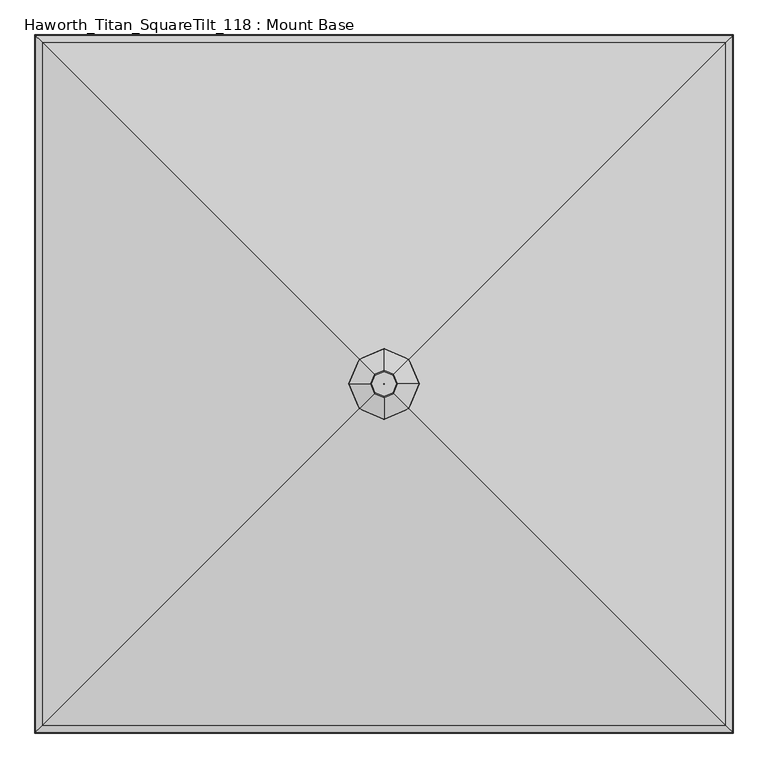
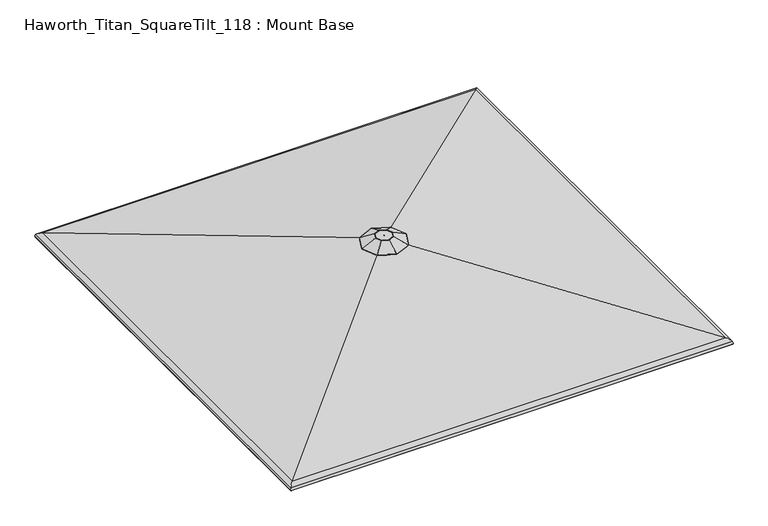
"""IFC4 building model written with IfcOpenShell, lengths in millimetres: furniture geometry, Haworth_Titan_SquareTilt_118 : Mount Base."""

from ifc_helpers import new_model, si_unit, frame, origin, place, context, project, spatial, polyline, ellipse_curve, source, transform, mapped, element, save
from ifc_brep_helpers import plane_surface, cylinder_surface, revolved_surface, advanced_brep


def haworth_titan_squaretilt_118_mount_base_37c14542(model_context):
    return source(origin(), model_context, "Body", "AdvancedBrep", [
        advanced_brep(
        [(459.6167733, -4.0299408, 2788.1260368), (443.5284214, 33.0984806, 2788.1260368), (406.4, 49.1868325, 2788.1260368), (369.2715786, 33.0984806, 2788.1260368), (353.1832267, -4.0299408, 2788.1260368), (369.2715786, -41.1583622, 2788.1260368), (406.4, -57.2467141, 2788.1260368), (443.5284214, -41.1583622, 2788.1260368), (406.1200807, -3.7500215, 2788.1260368), (406.4, -3.6287279, 2788.1260368), (406.6799193, -3.7500215, 2788.1260368), (406.8012128, -4.0299408, 2788.1260368), (406.6799193, -4.30986, 2788.1260368), (406.4, -4.4311536, 2788.1260368), (406.1200807, -4.30986, 2788.1260368), (405.9987872, -4.0299408, 2788.1260368), (386.6122835, 15.7577757, 2773.6177982), (406.4, 24.3321167, 2773.6177982), (426.1877165, 15.7577757, 2773.6177982), (434.7620575, -4.0299408, 2773.6177982), (426.1877165, -23.8176572, 2773.6177982), (406.4, -32.3919982, 2773.6177982), (386.6122835, -23.8176572, 2773.6177982), (378.0379425, -4.0299408, 2773.6177982), (406.8012128, -4.0299408, 2773.6177982), (406.6799193, -3.7500215, 2773.6177982), (406.4, -3.6287279, 2773.6177982), (406.1200807, -3.7500215, 2773.6177982), (405.9987872, -4.0299408, 2773.6177982), (406.1200807, -4.30986, 2773.6177982), (406.4, -4.4311536, 2773.6177982), (406.6799193, -4.30986, 2773.6177982), (300.4700231, 101.9000361, 2741.0648825), (254.5688326, -4.0299408, 2741.0648825), (299.7039003, 102.6661589, 2743.64096), (253.4707362, -4.0299408, 2743.64096), (364.933862, 37.4361973, 2786.7726474), (346.9659065, -4.0299408, 2786.7726474), (300.4700231, -109.9599176, 2741.0648825), (299.7039003, -110.7260405, 2743.64096), (364.933862, -45.4960788, 2786.7726474), (406.4, -155.8611082, 2741.0648825), (406.4, -156.9592046, 2743.64096), (406.4, -63.4640343, 2786.7726474), (512.3299769, -109.9599176, 2741.0648825), (513.0960997, -110.7260405, 2743.64096), (447.866138, -45.4960788, 2786.7726474), (558.2311674, -4.0299408, 2741.0648825), (559.3292638, -4.0299408, 2743.64096), (465.8340935, -4.0299408, 2786.7726474), (512.3299769, 101.9000361, 2741.0648825), (513.0960997, 102.6661589, 2743.64096), (447.866138, 37.4361973, 2786.7726474), (406.4, 147.8012266, 2741.0648825), (406.4, 148.899323, 2743.64096), (406.4, 55.4041527, 2786.7726474)],
        [
            (0, 1),
            (1, 2),
            (2, 3),
            (3, 4),
            (4, 5),
            (5, 6),
            (6, 7),
            (7, 0),
            (8, 9),
            (9, 10),
            (10, 11),
            (11, 12),
            (12, 13),
            (13, 14),
            (14, 15),
            (15, 8),
            (16, 17),
            (17, 18),
            (18, 19),
            (19, 20),
            (20, 21),
            (21, 22),
            (22, 23),
            (23, 16),
            (24, 25),
            (25, 26),
            (26, 27),
            (27, 28),
            (28, 29),
            (29, 30),
            (30, 31),
            (31, 24),
            (27, 8),
            (15, 28),
            (14, 29),
            (13, 30),
            (12, 31),
            (11, 24),
            (10, 25),
            (9, 26),
            (32, 16),
            (23, 33),
            (33, 32),
            (34, 32, ellipse_curve(frame((300.178338, 102.1917212, 2742.3999245), z_axis=(-0.7071067811865479, -0.707106781186547, 0.0), x_axis=(-0.7071067811865467, 0.7071067811865482, 0.0)), 1.4936871, 1.3890625)),
            (33, 35, ellipse_curve(frame((254.1507556, -4.0299408, 2742.3999245), z_axis=(0.0, 0.9999999999999999, 0.0), x_axis=(1.0, 0.0, 0.0)), 1.5138634, 1.3890625)),
            (35, 34),
            (36, 34),
            (35, 37),
            (37, 36),
            (3, 36, ellipse_curve(frame((369.2715786, 33.0984806, 2775.4260368), z_axis=(-0.7071067811865479, -0.707106781186547, 0.0), x_axis=(-0.7071067811865467, 0.7071067811865482, 0.0)), 13.656568, 12.7)),
            (37, 4, ellipse_curve(frame((353.1832267, -4.0299408, 2775.4260368), z_axis=(0.0, 0.9999999999999999, 0.0), x_axis=(1.0, 0.0, 0.0)), 13.8410369, 12.7)),
            (22, 38),
            (38, 33),
            (38, 39, ellipse_curve(frame((300.178338, -110.2516027, 2742.3999245), z_axis=(-0.707106781186547, 0.707106781186548, 0.0), x_axis=(0.7071067811865479, 0.707106781186547, 0.0)), 1.4936871, 1.3890625)),
            (39, 35),
            (39, 40),
            (40, 37),
            (40, 5, ellipse_curve(frame((369.2715786, -41.1583622, 2775.4260368), z_axis=(-0.707106781186547, 0.707106781186548, 0.0), x_axis=(0.7071067811865479, 0.707106781186547, 0.0)), 13.656568, 12.7)),
            (21, 41),
            (41, 38),
            (41, 42, ellipse_curve(frame((406.4, -156.2791852, 2742.3999245), z_axis=(-0.9999999999999999, 0.0, 0.0), x_axis=(0.0, 1.0, 0.0)), 1.5138634, 1.3890625)),
            (42, 39),
            (42, 43),
            (43, 40),
            (43, 6, ellipse_curve(frame((406.4, -57.2467141, 2775.4260368), z_axis=(-0.9999999999999999, 0.0, 0.0), x_axis=(0.0, 1.0, 0.0)), 13.8410369, 12.7)),
            (20, 44),
            (44, 41),
            (44, 45, ellipse_curve(frame((512.621662, -110.2516027, 2742.3999245), z_axis=(-0.707106781186548, -0.707106781186547, 0.0), x_axis=(-0.7071067811865469, 0.7071067811865481, 0.0)), 1.4936871, 1.3890625)),
            (45, 42),
            (45, 46),
            (46, 43),
            (46, 7, ellipse_curve(frame((443.5284214, -41.1583622, 2775.4260368), z_axis=(-0.707106781186548, -0.707106781186547, 0.0), x_axis=(-0.7071067811865469, 0.7071067811865481, 0.0)), 13.656568, 12.7)),
            (19, 47),
            (47, 44),
            (47, 48, ellipse_curve(frame((558.6492444, -4.0299408, 2742.3999245), z_axis=(0.0, -1.0, 0.0), x_axis=(-1.0, 0.0, 0.0)), 1.5138634, 1.3890625)),
            (48, 45),
            (48, 49),
            (49, 46),
            (49, 0, ellipse_curve(frame((459.6167733, -4.0299408, 2775.4260368), z_axis=(0.0, -1.0, 0.0), x_axis=(-1.0, 0.0, 0.0)), 13.8410369, 12.7)),
            (18, 50),
            (50, 47),
            (50, 51, ellipse_curve(frame((512.621662, 102.1917212, 2742.3999245), z_axis=(0.707106781186547, -0.707106781186548, 0.0), x_axis=(-0.7071067811865478, -0.7071067811865471, 0.0)), 1.4936871, 1.3890625)),
            (51, 48),
            (51, 52),
            (52, 49),
            (52, 1, ellipse_curve(frame((443.5284214, 33.0984806, 2775.4260368), z_axis=(0.707106781186547, -0.707106781186548, 0.0), x_axis=(-0.7071067811865478, -0.7071067811865471, 0.0)), 13.656568, 12.7)),
            (17, 53),
            (53, 50),
            (53, 54, ellipse_curve(frame((406.4, 148.2193037, 2742.3999245), z_axis=(0.9999999999999999, 0.0, 0.0), x_axis=(0.0, -1.0, 0.0)), 1.5138634, 1.3890625)),
            (54, 51),
            (54, 55),
            (55, 52),
            (55, 2, ellipse_curve(frame((406.4, 49.1868325, 2775.4260368), z_axis=(0.9999999999999999, 0.0, 0.0), x_axis=(0.0, -1.0, 0.0)), 13.8410369, 12.7)),
            (32, 53),
            (34, 54),
            (36, 55),
        ],
        [
            plane_surface(frame((406.4, 49.1868325, 2788.1260368), z_axis=(0.0, 0.0, 1.0000000000000002), x_axis=(-0.9175613115760064, -0.3975943152246007, 0.0))),
            plane_surface(frame((406.4, -3.6287279, 2773.6177982), z_axis=(0.0, 0.0, -1.0000000000000002), x_axis=(-0.9175613115760123, -0.397594315224587, 0.0))),
            plane_surface(frame((406.1200807, -3.7500215, 2788.1260368), z_axis=(0.9175613115760118, -0.3975943152245879, 0.0), x_axis=(-0.3975943152245879, -0.9175613115760118, 0.0))),
            plane_surface(frame((405.9987872, -4.0299408, 2788.1260368), z_axis=(0.9175613115760107, 0.3975943152245906, 0.0), x_axis=(0.3975943152245906, -0.9175613115760107, 0.0))),
            plane_surface(frame((406.1200807, -4.30986, 2788.1260368), z_axis=(0.39759431522459493, 0.9175613115760088, 0.0), x_axis=(0.9175613115760088, -0.39759431522459493, 0.0))),
            plane_surface(frame((406.4, -4.4311536, 2788.1260368), z_axis=(-0.3975943152246053, 0.9175613115760043, 0.0), x_axis=(0.9175613115760043, 0.3975943152246053, 0.0))),
            plane_surface(frame((406.6799193, -4.30986, 2788.1260368), z_axis=(-0.9175613115759941, 0.39759431522462907, 0.0), x_axis=(0.39759431522462907, 0.9175613115759941, 0.0))),
            plane_surface(frame((406.8012128, -4.0299408, 2788.1260368), z_axis=(-0.9175613115759855, -0.3975943152246487, 0.0), x_axis=(-0.3975943152246487, 0.9175613115759855, 0.0))),
            plane_surface(frame((406.6799193, -3.7500215, 2788.1260368), z_axis=(-0.39759431522467054, -0.917561311575976, 0.0), x_axis=(-0.917561311575976, 0.39759431522467054, 0.0))),
            plane_surface(frame((406.4, -3.6287279, 2788.1260368), z_axis=(0.397594315224615, -0.9175613115760002, 0.0), x_axis=(-0.9175613115760002, -0.397594315224615, 0.0))),
            plane_surface(frame((386.6122835, 15.7577757, 2773.6177982), z_axis=(0.2533988855278374, -0.10980187928485073, -0.9611100624375781), x_axis=(-0.39759431522460226, -0.9175613115760056, 0.0))),
            cylinder_surface(frame((300.2593942, 102.3787813, 2742.3999245), z_axis=(0.3975943152246023, 0.9175613115760056, 0.0), x_axis=(0.9175613115760056, -0.3975943152246023, 0.0)), 1.3890625),
            plane_surface(frame((299.7039003, 102.6661589, 2743.64096), z_axis=(-0.41216366180553754, 0.17859725209486316, 0.8934339021053624), x_axis=(-0.3975943152246024, -0.9175613115760055, 0.0))),
            cylinder_surface(frame((383.6366896, 66.2500363, 2775.4260368), z_axis=(0.3975943152246023, 0.9175613115760056, 0.0), x_axis=(0.9175613115760056, -0.3975943152246023, 0.0)), 12.7),
            plane_surface(frame((378.0379425, -4.0299408, 2773.6177982), z_axis=(0.25339888552783785, 0.10980187928484988, -0.9611100624375781), x_axis=(0.3975943152245991, -0.9175613115760071, 0.0))),
            cylinder_surface(frame((254.0619188, -3.8249249, 2742.3999245), z_axis=(-0.39759431522459965, 0.9175613115760068, 0.0), x_axis=(0.9175613115760068, 0.39759431522459965, 0.0)), 1.3890625),
            plane_surface(frame((253.4707362, -4.0299408, 2743.64096), z_axis=(-0.41216366180553804, -0.17859725209486185, 0.8934339021053624), x_axis=(0.3975943152245996, -0.9175613115760067, 0.0))),
            cylinder_surface(frame((337.4392142, 32.3038202, 2775.4260368), z_axis=(-0.39759431522459965, 0.9175613115760068, 0.0), x_axis=(0.9175613115760068, 0.39759431522459965, 0.0)), 12.7),
            plane_surface(frame((386.6122835, -23.8176572, 2773.6177982), z_axis=(0.10980187928485052, 0.2533988855278374, -0.9611100624375781), x_axis=(0.917561311576006, -0.39759431522460165, 0.0))),
            cylinder_surface(frame((299.9912779, -110.1705465, 2742.3999245), z_axis=(-0.9175613115760063, 0.3975943152246009, 0.0), x_axis=(0.3975943152246009, 0.9175613115760063, 0.0)), 1.3890625),
            plane_surface(frame((299.7039003, -110.7260405, 2743.64096), z_axis=(-0.1785972520948624, -0.4121636618055376, 0.8934339021053627), x_axis=(0.9175613115760062, -0.397594315224601, 0.0))),
            cylinder_surface(frame((336.1200229, -26.7932512, 2775.4260368), z_axis=(-0.9175613115760063, 0.3975943152246009, 0.0), x_axis=(0.3975943152246009, 0.9175613115760063, 0.0)), 12.7),
            plane_surface(frame((406.4, -32.3919982, 2773.6177982), z_axis=(-0.10980187928485045, 0.25339888552783746, -0.9611100624375781), x_axis=(0.9175613115760061, 0.3975943152246013, 0.0))),
            cylinder_surface(frame((406.1949841, -156.368022, 2742.3999245), z_axis=(-0.9175613115760062, -0.3975943152246011, 0.0), x_axis=(-0.3975943152246011, 0.9175613115760062, 0.0)), 1.3890625),
            plane_surface(frame((406.4, -156.9592046, 2743.64096), z_axis=(0.1785972520948625, -0.41216366180553776, 0.8934339021053627), x_axis=(0.9175613115760062, 0.397594315224601, 0.0))),
            cylinder_surface(frame((370.0662391, -72.9907266, 2775.4260368), z_axis=(-0.9175613115760062, -0.3975943152246011, 0.0), x_axis=(-0.3975943152246011, 0.9175613115760062, 0.0)), 12.7),
            plane_surface(frame((426.1877165, -23.8176572, 2773.6177982), z_axis=(-0.25339888552783724, 0.10980187928485072, -0.961110062437578), x_axis=(0.39759431522460237, 0.9175613115760055, 0.0))),
            cylinder_surface(frame((512.5406058, -110.4386628, 2742.3999245), z_axis=(-0.3975943152246023, -0.9175613115760057, 0.0), x_axis=(-0.9175613115760057, 0.3975943152246023, 0.0)), 1.3890625),
            plane_surface(frame((513.0960997, -110.7260405, 2743.64096), z_axis=(0.41216366180553743, -0.17859725209486302, 0.8934339021053627), x_axis=(0.39759431522460226, 0.9175613115760056, 0.0))),
            cylinder_surface(frame((429.1633104, -74.3099178, 2775.4260368), z_axis=(-0.3975943152246023, -0.9175613115760057, 0.0), x_axis=(-0.9175613115760057, 0.3975943152246023, 0.0)), 12.7),
            plane_surface(frame((434.7620575, -4.0299408, 2773.6177982), z_axis=(-0.2533988855278377, -0.10980187928484986, -0.9611100624375781), x_axis=(-0.39759431522459915, 0.917561311576007, 0.0))),
            cylinder_surface(frame((558.7380812, -4.2349567, 2742.3999245), z_axis=(0.39759431522459965, -0.9175613115760066, 0.0), x_axis=(-0.9175613115760066, -0.39759431522459965, 0.0)), 1.3890625),
            plane_surface(frame((559.3292638, -4.0299408, 2743.64096), z_axis=(0.4121636618055378, 0.17859725209486188, 0.8934339021053628), x_axis=(-0.3975943152245998, 0.9175613115760066, 0.0))),
            cylinder_surface(frame((475.3607858, -40.3637017, 2775.4260368), z_axis=(0.39759431522459965, -0.9175613115760066, 0.0), x_axis=(-0.9175613115760066, -0.39759431522459965, 0.0)), 12.7),
            plane_surface(frame((426.1877165, 15.7577757, 2773.6177982), z_axis=(-0.10980187928485023, -0.2533988855278375, -0.961110062437578), x_axis=(-0.9175613115760064, 0.3975943152246006, 0.0))),
            cylinder_surface(frame((512.8087221, 102.110665, 2742.3999245), z_axis=(0.9175613115760062, -0.3975943152246008, 0.0), x_axis=(-0.3975943152246008, -0.9175613115760062, 0.0)), 1.3890625),
            plane_surface(frame((513.0960997, 102.6661589, 2743.64096), z_axis=(0.1785972520948624, 0.41216366180553754, 0.8934339021053628), x_axis=(-0.9175613115760062, 0.39759431522460104, 0.0))),
            cylinder_surface(frame((476.6799771, 18.7333696, 2775.4260368), z_axis=(0.9175613115760062, -0.3975943152246008, 0.0), x_axis=(-0.3975943152246008, -0.9175613115760062, 0.0)), 12.7),
            plane_surface(frame((406.4, 24.3321167, 2773.6177982), z_axis=(0.10980187928485025, -0.25339888552783746, -0.961110062437578), x_axis=(-0.9175613115760063, -0.39759431522460065, 0.0))),
            cylinder_surface(frame((406.6050159, 148.3081404, 2742.3999245), z_axis=(0.9175613115760061, 0.39759431522460115, 0.0), x_axis=(0.39759431522460115, -0.9175613115760061, 0.0)), 1.3890625),
            plane_surface(frame((406.4, 148.899323, 2743.64096), z_axis=(-0.1785972520948624, 0.41216366180553754, 0.8934339021053627), x_axis=(-0.9175613115760062, -0.397594315224601, 0.0))),
            cylinder_surface(frame((442.7337609, 64.9308451, 2775.4260368), z_axis=(0.9175613115760061, 0.39759431522460115, 0.0), x_axis=(0.39759431522460115, -0.9175613115760061, 0.0)), 12.7),
        ],
        [
            (0, [[1, 2, 3, 4, 5, 6, 7, 8], [9, 10, 11, 12, 13, 14, 15, 16]]),
            (1, [[17, 18, 19, 20, 21, 22, 23, 24], [25, 26, 27, 28, 29, 30, 31, 32]]),
            (2, [[33, -16, 34, -28]]),
            (3, [[-34, -15, 35, -29]]),
            (4, [[-35, -14, 36, -30]]),
            (5, [[-36, -13, 37, -31]]),
            (6, [[-37, -12, 38, -32]]),
            (7, [[-38, -11, 39, -25]]),
            (8, [[-39, -10, 40, -26]]),
            (9, [[-40, -9, -33, -27]]),
            (10, [[41, -24, 42, 43]]),
            (11, [[44, -43, 45, 46]]),
            (12, [[47, -46, 48, 49]]),
            (13, [[50, -49, 51, -4]]),
            (14, [[-42, -23, 52, 53]]),
            (15, [[-45, -53, 54, 55]]),
            (16, [[-48, -55, 56, 57]]),
            (17, [[-51, -57, 58, -5]]),
            (18, [[-52, -22, 59, 60]]),
            (19, [[-54, -60, 61, 62]]),
            (20, [[-56, -62, 63, 64]]),
            (21, [[-58, -64, 65, -6]]),
            (22, [[-59, -21, 66, 67]]),
            (23, [[-61, -67, 68, 69]]),
            (24, [[-63, -69, 70, 71]]),
            (25, [[-65, -71, 72, -7]]),
            (26, [[-66, -20, 73, 74]]),
            (27, [[-68, -74, 75, 76]]),
            (28, [[-70, -76, 77, 78]]),
            (29, [[-72, -78, 79, -8]]),
            (30, [[-73, -19, 80, 81]]),
            (31, [[-75, -81, 82, 83]]),
            (32, [[-77, -83, 84, 85]]),
            (33, [[-79, -85, 86, -1]]),
            (34, [[-80, -18, 87, 88]]),
            (35, [[-82, -88, 89, 90]]),
            (36, [[-84, -90, 91, 92]]),
            (37, [[-86, -92, 93, -2]]),
            (38, [[-87, -17, -41, 94]]),
            (39, [[-89, -94, -44, 95]]),
            (40, [[-91, -95, -47, 96]]),
            (41, [[-93, -96, -50, -3]]),
        ],
    ),
        advanced_brep(
        [(1918.0266063, -1515.5505769, 2406.4885499), (1890.1051249, -1487.6290955, 2426.4541073), (-1077.3051249, -1487.6290955, 2426.4541073), (-1105.2266063, -1515.5505769, 2406.4885499), (1920.8410222, -1518.3649928, 2386.5591998), (-1108.0410222, -1518.3649928, 2386.5591998), (1916.4494701, -1513.9734407, 2387.8021546), (-1103.6494701, -1513.9734407, 2387.8021546), (1914.1509856, -1511.6749562, 2404.0781078), (-1101.3509856, -1511.6749562, 2404.0781078), (1889.0773715, -1486.6013421, 2422.0072669), (-1076.2773715, -1486.6013421, 2422.0072669), (472.3126419, -69.8366125, 2749.4498123), (340.4873581, -69.8366125, 2749.4498123), (406.7617904, -4.285761, 2754.0138748), (406.7617904, -4.285761, 2749.4498123), (406.0382096, -4.285761, 2749.4498123), (406.0382096, -4.285761, 2754.0138748), (472.8332036, -70.3571742, 2754.0138748), (339.9667964, -70.3571742, 2754.0138748), (-1077.3051249, 1479.5692139, 2426.4541073), (-1105.2266063, 1507.4906953, 2406.4885499), (-1108.0410222, 1510.3051113, 2386.5591998), (-1103.6494701, 1505.9135592, 2387.8021546), (-1101.3509856, 1503.6150747, 2404.0781078), (-1076.2773715, 1478.5414606, 2422.0072669), (340.4873581, 61.776731, 2749.4498123), (406.0382096, -3.7741206, 2749.4498123), (406.0382096, -3.7741206, 2754.0138748), (339.9667964, 62.2972926, 2754.0138748), (1890.1051249, 1479.5692139, 2426.4541073), (1918.0266063, 1507.4906953, 2406.4885499), (1920.8410222, 1510.3051113, 2386.5591998), (1916.4494701, 1505.9135592, 2387.8021546), (1914.1509856, 1503.6150747, 2404.0781078), (1889.0773715, 1478.5414606, 2422.0072669), (472.3126419, 61.776731, 2749.4498123), (406.7617904, -3.7741206, 2749.4498123), (406.7617904, -3.7741206, 2754.0138748), (472.8332036, 62.2972926, 2754.0138748)],
        [
            (0, 1, ellipse_curve(frame((1880.0286733, -1477.5526439, 2382.8557374), z_axis=(-0.7071067811865492, -0.7071067811865457, 0.0), x_axis=(0.7071067811865458, -0.7071067811865491, 0.0)), 63.2827424, 44.7476563)),
            (1, 2),
            (2, 3, ellipse_curve(frame((-1067.2286733, -1477.5526439, 2382.8557374), z_axis=(0.7071067811865469, -0.7071067811865481, 0.0), x_axis=(0.7071067811865481, 0.7071067811865469, 0.0)), 63.2827424, 44.7476563)),
            (3, 0),
            (4, 0, ellipse_curve(frame((1896.8850212, -1494.4089918, 2393.3395421), z_axis=(-0.7071067811865492, -0.7071067811865457, 0.0), x_axis=(0.7071067811865458, -0.7071067811865491, 0.0)), 35.2097438, 24.8970486)),
            (3, 5, ellipse_curve(frame((-1084.0850212, -1494.4089918, 2393.3395421), z_axis=(0.7071067811865469, -0.7071067811865481, 0.0), x_axis=(0.7071067811865481, 0.7071067811865469, 0.0)), 35.2097438, 24.8970486)),
            (5, 4),
            (6, 4, ellipse_curve(frame((1918.6452462, -1516.1692168, 2387.1806772), z_axis=(-0.7071067811865492, -0.7071067811865457, 0.0), x_axis=(0.7071067811865458, -0.7071067811865491, 0.0)), 3.2272795, 2.2820312)),
            (5, 7, ellipse_curve(frame((-1105.8452462, -1516.1692168, 2387.1806772), z_axis=(0.7071067811865469, -0.7071067811865481, 0.0), x_axis=(0.7071067811865481, 0.7071067811865469, 0.0)), 3.2272795, 2.2820312)),
            (7, 6),
            (8, 6, ellipse_curve(frame((1896.8850212, -1494.4089918, 2393.3395421), z_axis=(0.7071067811865492, 0.7071067811865457, 0.0), x_axis=(-0.7071067811865458, 0.7071067811865491, 0.0)), 28.7551847, 20.3329861)),
            (7, 9, ellipse_curve(frame((-1084.0850212, -1494.4089918, 2393.3395421), z_axis=(-0.7071067811865469, 0.7071067811865481, 0.0), x_axis=(-0.7071067811865481, -0.7071067811865469, 0.0)), 28.7551847, 20.3329861)),
            (9, 8),
            (10, 8, ellipse_curve(frame((1880.0286733, -1477.5526439, 2382.8557374), z_axis=(0.7071067811865492, 0.7071067811865457, 0.0), x_axis=(-0.7071067811865458, 0.7071067811865491, 0.0)), 56.8281833, 40.1835938)),
            (9, 11, ellipse_curve(frame((-1067.2286733, -1477.5526439, 2382.8557374), z_axis=(-0.7071067811865469, 0.7071067811865481, 0.0), x_axis=(-0.7071067811865481, -0.7071067811865469, 0.0)), 56.8281833, 40.1835938)),
            (11, 10),
            (12, 10),
            (11, 13),
            (13, 12),
            (14, 15),
            (15, 16),
            (16, 17),
            (17, 14),
            (1, 18),
            (18, 19),
            (19, 2),
            (2, 20),
            (20, 21, ellipse_curve(frame((-1067.2286733, 1469.4927623, 2382.8557374), z_axis=(-0.7071067811865459, -0.7071067811865491, 0.0), x_axis=(0.7071067811865491, -0.7071067811865458, 0.0)), 63.2827424, 44.7476563)),
            (21, 3),
            (21, 22, ellipse_curve(frame((-1084.0850212, 1486.3491102, 2393.3395421), z_axis=(-0.7071067811865459, -0.7071067811865491, 0.0), x_axis=(0.7071067811865491, -0.7071067811865458, 0.0)), 35.2097438, 24.8970486)),
            (22, 5),
            (22, 23, ellipse_curve(frame((-1105.8452462, 1508.1093352, 2387.1806772), z_axis=(-0.7071067811865459, -0.7071067811865491, 0.0), x_axis=(0.7071067811865491, -0.7071067811865458, 0.0)), 3.2272795, 2.2820312)),
            (23, 7),
            (23, 24, ellipse_curve(frame((-1084.0850212, 1486.3491102, 2393.3395421), z_axis=(0.7071067811865459, 0.7071067811865491, 0.0), x_axis=(-0.7071067811865491, 0.7071067811865458, 0.0)), 28.7551847, 20.3329861)),
            (24, 9),
            (24, 25, ellipse_curve(frame((-1067.2286733, 1469.4927623, 2382.8557374), z_axis=(0.7071067811865459, 0.7071067811865491, 0.0), x_axis=(-0.7071067811865491, 0.7071067811865458, 0.0)), 56.8281833, 40.1835938)),
            (25, 11),
            (25, 26),
            (26, 13),
            (16, 27),
            (27, 28),
            (28, 17),
            (19, 29),
            (29, 20),
            (20, 30),
            (30, 31, ellipse_curve(frame((1880.0286733, 1469.4927623, 2382.8557374), z_axis=(-0.7071067811865479, 0.707106781186547, 0.0), x_axis=(-0.7071067811865472, -0.7071067811865477, 0.0)), 63.2827424, 44.7476563)),
            (31, 21),
            (31, 32, ellipse_curve(frame((1896.8850212, 1486.3491102, 2393.3395421), z_axis=(-0.7071067811865479, 0.707106781186547, 0.0), x_axis=(-0.7071067811865472, -0.7071067811865477, 0.0)), 35.2097438, 24.8970486)),
            (32, 22),
            (32, 33, ellipse_curve(frame((1918.6452462, 1508.1093352, 2387.1806772), z_axis=(-0.7071067811865479, 0.707106781186547, 0.0), x_axis=(-0.7071067811865472, -0.7071067811865477, 0.0)), 3.2272795, 2.2820312)),
            (33, 23),
            (33, 34, ellipse_curve(frame((1896.8850212, 1486.3491102, 2393.3395421), z_axis=(0.7071067811865479, -0.707106781186547, 0.0), x_axis=(0.7071067811865472, 0.7071067811865477, 0.0)), 28.7551847, 20.3329861)),
            (34, 24),
            (34, 35, ellipse_curve(frame((1880.0286733, 1469.4927623, 2382.8557374), z_axis=(0.7071067811865479, -0.707106781186547, 0.0), x_axis=(0.7071067811865472, 0.7071067811865477, 0.0)), 56.8281833, 40.1835938)),
            (35, 25),
            (35, 36),
            (36, 26),
            (27, 37),
            (37, 38),
            (38, 28),
            (29, 39),
            (39, 30),
            (30, 1),
            (0, 31),
            (4, 32),
            (6, 33),
            (8, 34),
            (10, 35),
            (12, 36),
            (15, 37),
            (14, 38),
            (18, 39),
        ],
        [
            cylinder_surface(frame((1928.5489374, -1477.5526439, 2382.8557374), z_axis=(1.0, 0.0, 0.0), x_axis=(0.0, -1.0, 0.0)), 44.7476563),
            cylinder_surface(frame((1928.5489374, -1494.4089918, 2393.3395421), z_axis=(1.0, 0.0, 0.0), x_axis=(0.0, -1.0, 0.0)), 24.8970486),
            cylinder_surface(frame((1928.5489374, -1516.1692168, 2387.1806772), z_axis=(1.0, 0.0, 0.0), x_axis=(0.0, -1.0, 0.0)), 2.2820312),
            revolved_surface(polyline([(-1104.4180072956422, -1514.7419779, 2393.3395421), (1917.2180072956417, -1514.7419779, 2393.3395421)]), (1928.5489374, -1494.4089918, 2393.3395421), (-1.0, 0.0, 0.0)),
            revolved_surface(polyline([(-1107.4122670739418, -1517.7362377, 2382.8557374), (1920.212267073942, -1517.7362377, 2382.8557374)]), (1928.5489374, -1477.5526439, 2382.8557374), (-1.0, 0.0, 0.0)),
            plane_surface(frame((1889.0773715, -1486.6013421, 2422.0072669), z_axis=(0.0, 0.22518389675848055, -0.9743162795728428), x_axis=(-1.0, 0.0, 0.0))),
            plane_surface(frame((406.7617904, -4.285761, 2749.4498123), z_axis=(-1.122404475803615e-12, 1.0, 0.0), x_axis=(-1.0, -1.122404475803615e-12, 0.0))),
            plane_surface(frame((472.8332036, -70.3571742, 2754.0138748), z_axis=(0.0, -0.2251838967584806, 0.9743162795728428), x_axis=(-1.0, 0.0, 0.0))),
            cylinder_surface(frame((-1067.2286733, -1526.072908, 2382.8557374), z_axis=(0.0, -1.0, 0.0), x_axis=(-1.0, 0.0, 0.0)), 44.7476563),
            cylinder_surface(frame((-1084.0850212, -1526.072908, 2393.3395421), z_axis=(0.0, -1.0, 0.0), x_axis=(-1.0, 0.0, 0.0)), 24.8970486),
            cylinder_surface(frame((-1105.8452462, -1526.072908, 2387.1806772), z_axis=(0.0, -1.0, 0.0), x_axis=(-1.0, 0.0, 0.0)), 2.2820312),
            revolved_surface(polyline([(-1104.4180073, 1506.6820962956413, 2393.3395421), (-1104.4180073, -1514.7419778956416, 2393.3395421)]), (-1084.0850212, -1526.072908, 2393.3395421), (0.0, 1.0, 0.0)),
            revolved_surface(polyline([(-1107.4122671, 1509.6763560739423, 2382.8557374), (-1107.4122671, -1517.736237673942, 2382.8557374)]), (-1067.2286733, -1526.072908, 2382.8557374), (0.0, 1.0, 0.0)),
            plane_surface(frame((-1076.2773715, -1486.6013421, 2422.0072669), z_axis=(0.2251838967584774, 0.0, -0.9743162795728436), x_axis=(0.0, 1.0, 0.0))),
            plane_surface(frame((406.0382096, -4.285761, 2749.4498123), z_axis=(1.0, 0.0, 0.0), x_axis=(0.0, 1.0, 0.0))),
            plane_surface(frame((339.9667964, -70.3571742, 2754.0138748), z_axis=(-0.22518389675847744, 0.0, 0.9743162795728436), x_axis=(0.0, 1.0, 0.0))),
            cylinder_surface(frame((-1115.7489374, 1469.4927623, 2382.8557374), z_axis=(-1.0, 0.0, 0.0), x_axis=(0.0, 1.0, 0.0)), 44.7476563),
            cylinder_surface(frame((-1115.7489374, 1486.3491102, 2393.3395421), z_axis=(-1.0, 0.0, 0.0), x_axis=(0.0, 1.0, 0.0)), 24.8970486),
            cylinder_surface(frame((-1115.7489374, 1508.1093352, 2387.1806772), z_axis=(-1.0, 0.0, 0.0), x_axis=(0.0, 1.0, 0.0)), 2.2820312),
            revolved_surface(polyline([(1917.2180072956414, 1506.6820963, 2393.3395421), (-1104.4180072956417, 1506.6820963, 2393.3395421)]), (-1115.7489374, 1486.3491102, 2393.3395421), (1.0, 0.0, 0.0)),
            revolved_surface(polyline([(1920.212267073942, 1509.6763561, 2382.8557374), (-1107.4122670739423, 1509.6763561, 2382.8557374)]), (-1115.7489374, 1469.4927623, 2382.8557374), (1.0, 0.0, 0.0)),
            plane_surface(frame((-1076.2773715, 1478.5414606, 2422.0072669), z_axis=(0.0, -0.22518389675848055, -0.9743162795728428), x_axis=(1.0, 0.0, 0.0))),
            plane_surface(frame((406.0382096, -3.7741206, 2749.4498123), z_axis=(0.0, -1.0, 0.0), x_axis=(1.0, 0.0, 0.0))),
            plane_surface(frame((339.9667964, 62.2972926, 2754.0138748), z_axis=(0.0, 0.2251838967584806, 0.9743162795728428), x_axis=(1.0, 0.0, 0.0))),
            cylinder_surface(frame((1880.0286733, 1518.0130264, 2382.8557374), z_axis=(0.0, 1.0, 0.0), x_axis=(1.0, 0.0, 0.0)), 44.7476563),
            cylinder_surface(frame((1896.8850212, 1518.0130264, 2393.3395421), z_axis=(0.0, 1.0, 0.0), x_axis=(1.0, 0.0, 0.0)), 24.8970486),
            cylinder_surface(frame((1918.6452462, 1518.0130264, 2387.1806772), z_axis=(0.0, 1.0, 0.0), x_axis=(1.0, 0.0, 0.0)), 2.2820312),
            revolved_surface(polyline([(1917.2180073, -1514.7419778956419, 2393.3395421), (1917.2180073, 1506.6820962956417, 2393.3395421)]), (1896.8850212, 1518.0130264, 2393.3395421), (0.0, -1.0, 0.0)),
            revolved_surface(polyline([(1920.2122671, -1517.736237673942, 2382.8557374), (1920.2122671, 1509.6763560739423, 2382.8557374)]), (1880.0286733, 1518.0130264, 2382.8557374), (0.0, -1.0, 0.0)),
            plane_surface(frame((1889.0773715, 1478.5414606, 2422.0072669), z_axis=(-0.22518389675848371, 0.0, -0.9743162795728421), x_axis=(0.0, -1.0, 0.0))),
            plane_surface(frame((472.3126419, 61.776731, 2749.4498123), z_axis=(0.0, 0.0, -1.0), x_axis=(0.0, -1.0, 0.0))),
            plane_surface(frame((406.7617904, -3.7741206, 2749.4498123), z_axis=(-1.0, 0.0, 0.0), x_axis=(0.0, -1.0, 0.0))),
            plane_surface(frame((406.7617904, -3.7741206, 2754.0138748), z_axis=(0.0, 0.0, 1.0), x_axis=(0.0, -1.0, 0.0))),
            plane_surface(frame((472.8332036, 62.2972926, 2754.0138748), z_axis=(0.22518389675848377, 0.0, 0.9743162795728421), x_axis=(0.0, -1.0, 0.0))),
        ],
        [
            (0, [[1, 2, 3, 4]]),
            (1, [[5, -4, 6, 7]]),
            (2, [[8, -7, 9, 10]]),
            (3, [[11, -10, 12, 13]]),
            (4, [[14, -13, 15, 16]]),
            (5, [[17, -16, 18, 19]]),
            (6, [[20, 21, 22, 23]]),
            (7, [[24, 25, 26, -2]]),
            (8, [[-3, 27, 28, 29]]),
            (9, [[-6, -29, 30, 31]]),
            (10, [[-9, -31, 32, 33]]),
            (11, [[-12, -33, 34, 35]]),
            (12, [[-15, -35, 36, 37]]),
            (13, [[-18, -37, 38, 39]]),
            (14, [[-22, 40, 41, 42]]),
            (15, [[-26, 43, 44, -27]]),
            (16, [[-28, 45, 46, 47]]),
            (17, [[-30, -47, 48, 49]]),
            (18, [[-32, -49, 50, 51]]),
            (19, [[-34, -51, 52, 53]]),
            (20, [[-36, -53, 54, 55]]),
            (21, [[-38, -55, 56, 57]]),
            (22, [[-41, 58, 59, 60]]),
            (23, [[-44, 61, 62, -45]]),
            (24, [[-46, 63, -1, 64]]),
            (25, [[-48, -64, -5, 65]]),
            (26, [[-50, -65, -8, 66]]),
            (27, [[-52, -66, -11, 67]]),
            (28, [[-54, -67, -14, 68]]),
            (29, [[-56, -68, -17, 69]]),
            (30, [[-39, -57, -69, -19], [70, -58, -40, -21]]),
            (31, [[-59, -70, -20, 71]]),
            (32, [[72, -61, -43, -25], [-42, -60, -71, -23]]),
            (33, [[-62, -72, -24, -63]]),
        ],
    ),
    ])


if __name__ == "__main__":
    model = new_model("IFC4")
    model_context = context("Model", 3, world=origin())
    ifc_project = project(units=[si_unit("LENGTHUNIT", "METRE", prefix="MILLI")], contexts=[model_context])
    site = spatial("IfcSite", under=ifc_project)
    building = spatial("IfcBuilding", under=site)
    placement = place(None, origin())
    haworth_titan_squaretilt_118_mount_base_shape = haworth_titan_squaretilt_118_mount_base_37c14542(model_context)
    element("IfcFurniture", 1, ObjectType="Haworth_Titan_SquareTilt_118 : Mount Base", at=placement, inside=building, context=model_context, shape_type="MappedRepresentation", body=[
        mapped(haworth_titan_squaretilt_118_mount_base_shape, transform((0.0, 0.0, 0.0), x_axis=(1.0, 0.0, 0.0), y_axis=(0.0, 1.0, 0.0), z_axis=(0.0, 0.0, 1.0))),
    ])
    save(model, "model.ifc")
